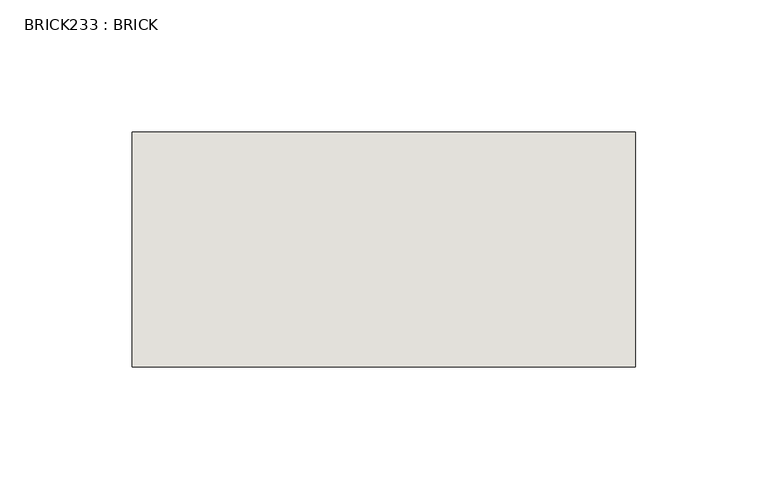
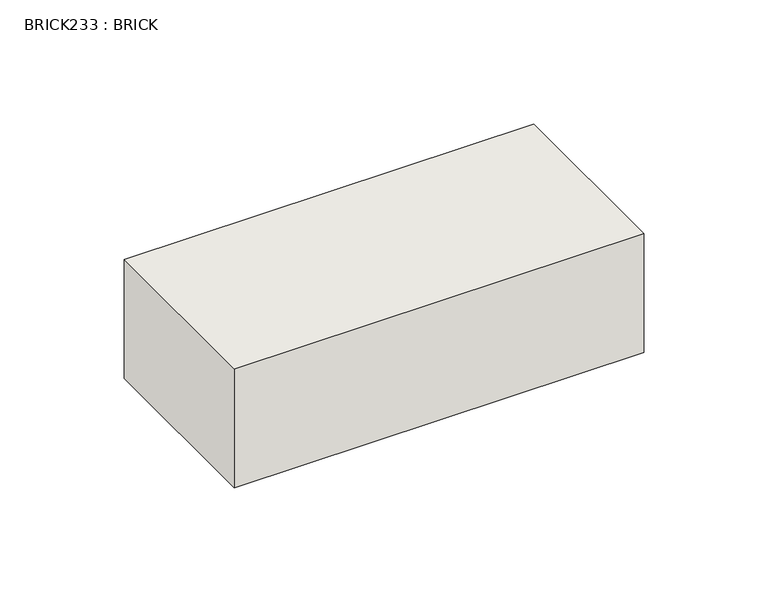
"""IFC4 building model written with IfcOpenShell, lengths in millimetres: wall geometry, BRICK233 : BRICK."""

import ifcopenshell
import ifcopenshell.guid

model = None  # the IFC model being written
_history = None  # IfcOwnerHistory: only IFC2X3 demands one
_inside = {}  # id of a spatial element -> (the spatial element, [elements in it])
_under = {}  # id of a project, library or spatial element -> (it, [spatial elements below it])
_declared = {}  # id of a project -> (the project, [libraries it declares])
_typed = {}  # id of a type object -> (the type object, [elements of that type])
_made_of = {}  # id of a material, layer set ... -> (it, [elements and type objects made of it])


def new_model(schema):
    """Start an empty IFC model of exactly this schema.

    Asked for "IFC4X3", IfcOpenShell would pick the latest addendum, in which some entities
    have other attributes; the version numbers below select the first issue.
    IFC2X3 requires an IfcOwnerHistory on every rooted entity: one is made here for all.
    """
    global model, _history
    if schema == "IFC4X3":
        model = ifcopenshell.file(schema_version=(4, 3, 0, 0))
    else:
        model = ifcopenshell.file(schema=schema)
    _inside.clear()
    _under.clear()
    _declared.clear()
    _typed.clear()
    _made_of.clear()
    _history = None
    if model.schema == "IFC2X3":
        org = make("IfcOrganization", Name="unknown")
        user = make(
            "IfcPersonAndOrganization",
            ThePerson=make("IfcPerson", FamilyName="unknown"),
            TheOrganization=org,
        )
        app = make(
            "IfcApplication",
            ApplicationDeveloper=org,
            Version="unknown",
            ApplicationFullName="unknown",
            ApplicationIdentifier="unknown",
        )
        _history = make(
            "IfcOwnerHistory",
            OwningUser=user,
            OwningApplication=app,
            ChangeAction="ADDED",
            CreationDate=0,
        )
    return model


def make(cls, **values):
    """One entity of the class cls with the attributes given. An attribute that is None is left unset."""
    return model.create_entity(
        cls, **{name: value for name, value in values.items() if value is not None}
    )


def rooted(cls, **values):
    """An entity with a GlobalId (a new one), such as an element, a storey or a relation."""
    return make(cls, GlobalId=ifcopenshell.guid.new(), OwnerHistory=_history, **values)


def si_unit(unit_type, name, prefix=None):
    """IfcSIUnit, for example si_unit("LENGTHUNIT", "METRE", prefix="MILLI")."""
    return make("IfcSIUnit", UnitType=unit_type, Prefix=prefix, Name=name)


def assignment(units):
    """IfcUnitAssignment: the units of a project."""
    return None if units is None else make("IfcUnitAssignment", Units=units)


def point(xyz):
    """IfcCartesianPoint."""
    return None if xyz is None else make("IfcCartesianPoint", Coordinates=xyz)


def direction(xyz):
    """IfcDirection."""
    return None if xyz is None else make("IfcDirection", DirectionRatios=xyz)


def frame(location, z_axis=None, x_axis=None):
    """IfcAxis2Placement3D, a coordinate frame: its origin and axes. An axis left out is left unset."""
    return make(
        "IfcAxis2Placement3D",
        Location=point(location),
        Axis=direction(z_axis),
        RefDirection=direction(x_axis),
    )


def origin():
    """The frame at (0, 0, 0) with its axes left unset."""
    return frame((0.0, 0.0, 0.0))


def place(relative_to, where):
    """IfcLocalPlacement: puts the frame where relative to a parent placement (None: the world)."""
    return make(
        "IfcLocalPlacement", PlacementRelTo=relative_to, RelativePlacement=where
    )


def context(
    kind, dimensions, precision=None, world=None, true_north=None, identifier=None
):
    """IfcGeometricRepresentationContext, for example the 3D "Model" context."""
    return make(
        "IfcGeometricRepresentationContext",
        ContextIdentifier=identifier,
        ContextType=kind,
        CoordinateSpaceDimension=dimensions,
        Precision=precision,
        WorldCoordinateSystem=world,
        TrueNorth=true_north,
    )


def project(units=None, contexts=None):
    """IfcProject with its units and contexts."""
    return rooted(
        "IfcProject",
        Name="project",
        RepresentationContexts=contexts,
        UnitsInContext=assignment(units),
    )


def spatial(cls, under=None, at=None, **own):
    """A site, building, storey or space (cls), placed at a placement, below another one or the project."""
    s = rooted(cls, ObjectPlacement=at, **own)
    if under is not None:
        _under.setdefault(under.id(), (under, []))[1].append(s)
    return s


def polyline(points):
    """IfcPolyline through the points."""
    return make("IfcPolyline", Points=[point(p) for p in points])


def outline(outer, holes=None, kind="AREA"):
    """IfcArbitraryClosedProfileDef: a profile drawn as a closed curve; with holes, ...WithVoids."""
    if holes is None:
        return make("IfcArbitraryClosedProfileDef", ProfileType=kind, OuterCurve=outer)
    return make(
        "IfcArbitraryProfileDefWithVoids",
        ProfileType=kind,
        OuterCurve=outer,
        InnerCurves=holes,
    )


def extrude(swept, where, along, depth):
    """IfcExtrudedAreaSolid: the profile swept, set in the frame where, extruded along a direction by depth."""
    return make(
        "IfcExtrudedAreaSolid",
        SweptArea=swept,
        Position=where,
        ExtrudedDirection=direction(along),
        Depth=depth,
    )


def shape(context_of_items, identifier, shape_type, items):
    """IfcShapeRepresentation: the items that make up one representation, for example the "Body"."""
    return make(
        "IfcShapeRepresentation",
        ContextOfItems=context_of_items,
        RepresentationIdentifier=identifier,
        RepresentationType=shape_type,
        Items=items,
    )


def source(mapping_origin, context_of_items, identifier, shape_type, items):
    """IfcRepresentationMap: a shape defined once, which mapped items show again and again."""
    return make(
        "IfcRepresentationMap",
        MappingOrigin=mapping_origin,
        MappedRepresentation=shape(context_of_items, identifier, shape_type, items),
    )


def transform(
    local_origin,
    x_axis=None,
    y_axis=None,
    z_axis=None,
    scale=None,
    scale2=None,
    scale3=None,
    uniform=True,
):
    """IfcCartesianTransformationOperator3D, or its non-uniform kind. x_axis, y_axis, z_axis: its Axis1, 2, 3."""
    if uniform:
        return make(
            "IfcCartesianTransformationOperator3D",
            Axis1=direction(x_axis),
            Axis2=direction(y_axis),
            LocalOrigin=point(local_origin),
            Scale=scale,
            Axis3=direction(z_axis),
        )
    return make(
        "IfcCartesianTransformationOperator3DnonUniform",
        Axis1=direction(x_axis),
        Axis2=direction(y_axis),
        LocalOrigin=point(local_origin),
        Scale=scale,
        Axis3=direction(z_axis),
        Scale2=scale2,
        Scale3=scale3,
    )


def mapped(mapping_source, mapping_target):
    """IfcMappedItem: shows the shape of a source again, moved by a transform."""
    return make(
        "IfcMappedItem", MappingSource=mapping_source, MappingTarget=mapping_target
    )


def made_of(thing, what):
    """Note that an element or type object is made of a material, layer set ...; save() writes the relation."""
    if what is not None:
        _made_of.setdefault(what.id(), (what, []))[1].append(thing)
    return thing


def element(
    cls,
    number,
    at=None,
    inside=None,
    cuts=None,
    type_object=None,
    material=None,
    context=None,
    identifier="Body",
    shape_type=None,
    held_by="IfcProductDefinitionShape",
    body=None,
    shapes=None,
    **own,
):
    """One element of the class cls, such as IfcWall. Its Tag is "e" and its number.

    at: its placement. inside: the storey or other place that contains it. cuts: it is an
    opening in that element (IfcRelVoidsElement). A single representation is given by context,
    identifier, shape_type and body (its items); several are given by shapes. held_by: the class
    of the entity that holds the representations. save() writes the other relations.
    """
    e = rooted(cls, Tag="e%d" % number, ObjectPlacement=at, **own)
    if body is not None:
        shapes = [shape(context, identifier, shape_type, body)]
    if shapes is not None:
        e.Representation = make(held_by, Representations=shapes)
    if inside is not None:
        _inside.setdefault(inside.id(), (inside, []))[1].append(e)
    if cuts is not None:
        rooted(
            "IfcRelVoidsElement", RelatingBuildingElement=cuts, RelatedOpeningElement=e
        )
    if type_object is not None:
        _typed.setdefault(type_object.id(), (type_object, []))[1].append(e)
    return made_of(e, material)


def aggregate(whole, parts):
    """IfcRelAggregates: a whole, such as a stair, and the parts it consists of."""
    return rooted("IfcRelAggregates", RelatingObject=whole, RelatedObjects=parts)


def save(model, path):
    """Write the relations noted so far, then the file.

    IfcRelAggregates (storeys below a building ...), IfcRelContainedInSpatialStructure (elements
    in a storey), IfcRelDefinesByType, IfcRelAssociatesMaterial and IfcRelDeclares: one each for
    every whole, place, type object, material and project.
    """
    for whole, parts in _under.values():
        aggregate(whole, parts)
    for where, things in _inside.values():
        rooted(
            "IfcRelContainedInSpatialStructure",
            RelatedElements=things,
            RelatingStructure=where,
        )
    for kind, things in _typed.values():
        rooted("IfcRelDefinesByType", RelatedObjects=things, RelatingType=kind)
    for what, things in _made_of.values():
        rooted("IfcRelAssociatesMaterial", RelatedObjects=things, RelatingMaterial=what)
    for by, libraries in _declared.values():
        rooted("IfcRelDeclares", RelatingContext=by, RelatedDefinitions=libraries)
    model.write(path)


def brick233_brick_d79ff44d(model_context):
    return source(origin(), model_context, "Body", "SweptSolid", [
        extrude(outline(polyline([(-1581.5316239, 3062.3923312), (-1391.0316239, 3062.3923312), (-1391.0316239, 2973.4923312), (-1581.5316239, 2973.4923312), (-1581.5316239, 3062.3923312)])), frame((0.0, 0.0, 493.4148438), z_axis=(0.0, 0.0, 1.0), x_axis=(1.0, 0.0, 0.0)), (0.0, 0.0, 1.0), 58.4398437),
    ])


if __name__ == "__main__":
    model = new_model("IFC4")
    model_context = context("Model", 3, world=origin())
    ifc_project = project(units=[si_unit("LENGTHUNIT", "METRE", prefix="MILLI")], contexts=[model_context])
    site = spatial("IfcSite", under=ifc_project)
    building = spatial("IfcBuilding", under=site)
    placement = place(None, origin())
    brick233_brick_shape = brick233_brick_d79ff44d(model_context)
    element("IfcWall", 1, ObjectType="BRICK233 : BRICK", at=placement, inside=building, context=model_context, shape_type="MappedRepresentation", body=[
        mapped(brick233_brick_shape, transform((0.0, 0.0, 0.0), x_axis=(1.0, 0.0, 0.0), y_axis=(0.0, 1.0, 0.0), z_axis=(0.0, 0.0, 1.0))),
    ])
    save(model, "model.ifc")
